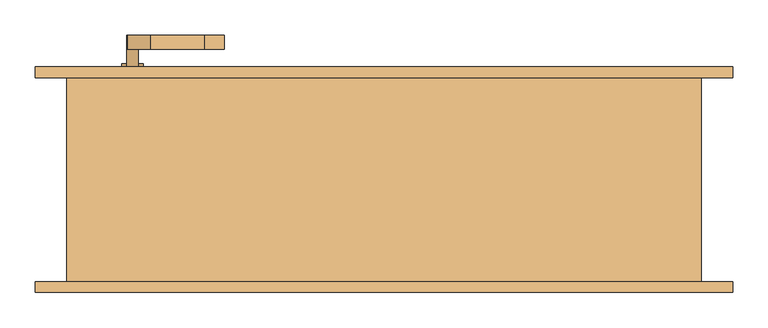
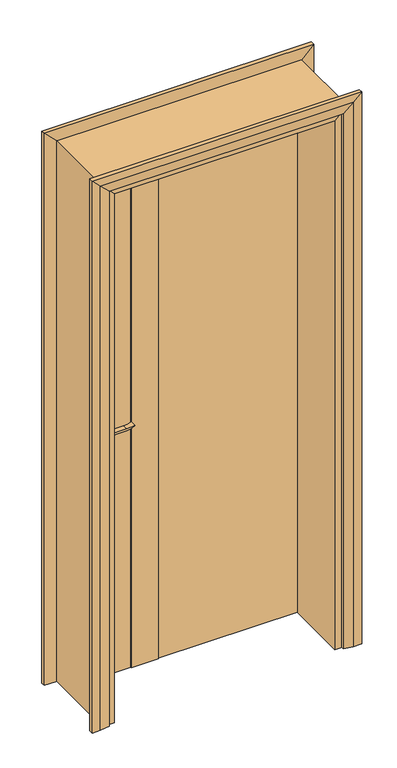
"""IFC4 building model written with IfcOpenShell, lengths in millimetres: door geometry."""

from ifc_helpers import new_model, si_unit, point, frame, frame_2d, origin, origin_with_axes, place, context, project, spatial, polyline, circle_curve, trimmed, segment, composite_curve, outline, extrude, faceted_brep, source, transform, mapped, element, save


def door_bdf464da(model_context):
    return source(origin(), model_context, "Body", "SolidModel", [
        extrude(outline(composite_curve([segment(trimmed(circle_curve(frame_2d((900.0, -357.0)), 15.0), [point((900.0, -342.0))], [point((900.0, -372.0))], False, "CARTESIAN"), True, "CONTINUOUS"), segment(trimmed(circle_curve(frame_2d((900.0, -357.0)), 15.0), [point((900.0, -372.0))], [point((900.0, -342.0))], False, "CARTESIAN"), True, "CONTINUOUS")], self_intersect=False)), frame((0.0, 155.0, 0.0), z_axis=(0.0, 1.0, 0.0), x_axis=(0.0, 0.0, 1.0)), (0.0, 0.0, 1.0), 10.0),
        extrude(outline(composite_curve([segment(trimmed(circle_curve(frame_2d((900.0, -357.0)), 15.0), [point((900.0, -342.0))], [point((900.0, -372.0))], False, "CARTESIAN"), True, "CONTINUOUS"), segment(trimmed(circle_curve(frame_2d((900.0, -357.0)), 15.0), [point((900.0, -372.0))], [point((900.0, -342.0))], False, "CARTESIAN"), True, "CONTINUOUS")], self_intersect=False)), frame((0.0, 75.0, 0.0), z_axis=(0.0, 1.0, 0.0), x_axis=(0.0, 0.0, 1.0)), (0.0, 0.0, 1.0), 10.0),
        extrude(outline(composite_curve([segment(trimmed(circle_curve(frame_2d((960.0, -357.0)), 8.0), [point((964.6523287, -363.5081363))], [point((960.0, -349.0))], False, "CARTESIAN"), True, "CONTINUOUS"), segment(trimmed(circle_curve(frame_2d((954.8738613, -331.6138099)), 18.1261387), [point((960.0, -349.0))], [point((973.0, -331.6138099))], True, "CARTESIAN"), True, "CONTINUOUS"), segment(polyline([(973.0, -331.6138099), (973.0, -255.3564091)]), True, "CONTINUOUS"), segment(trimmed(circle_curve(frame_2d((1032.2709207, -258.9396612)), 59.3791355), [point((973.0, -255.3564091))], [point((982.2135558, -227.0))], False, "CARTESIAN"), True, "CONTINUOUS"), segment(polyline([(982.2135558, -227.0), (985.0, -227.0)]), True, "CONTINUOUS"), segment(trimmed(circle_curve(frame_2d((1063.2850638, -255.4227909)), 83.2850902), [point((985.0, -227.0))], [point((980.0, -255.3564091))], True, "CARTESIAN"), True, "CONTINUOUS"), segment(polyline([(980.0, -255.3564091), (980.0, -331.6325667)]), True, "CONTINUOUS"), segment(trimmed(circle_curve(frame_2d((942.7555521, -333.3324871)), 37.2832219), [point((980.0, -331.6325667))], [point((964.6523287, -363.5081363))], False, "CARTESIAN"), True, "CONTINUOUS")], self_intersect=False)), frame((0.0, 185.0, 0.0), z_axis=(0.0, 1.0, 0.0), x_axis=(0.0, 0.0, 1.0)), (0.0, 0.0, 1.0), 20.0),
        extrude(outline(composite_curve([segment(trimmed(circle_curve(frame_2d((954.8738682, -331.6138122)), 18.1261318), [point((959.9999903, -349.0))], [point((973.0, -331.6138122))], True, "CARTESIAN"), True, "CONTINUOUS"), segment(polyline([(973.0, -331.6138122), (973.0, -255.3564091)]), True, "CONTINUOUS"), segment(trimmed(circle_curve(frame_2d((1032.2709207, -258.9396612)), 59.3791355), [point((973.0, -255.3564091))], [point((982.2135558, -227.0))], False, "CARTESIAN"), True, "CONTINUOUS"), segment(polyline([(982.2135558, -227.0), (985.0, -227.0)]), True, "CONTINUOUS"), segment(trimmed(circle_curve(frame_2d((1063.2850638, -255.4227909)), 83.2850902), [point((985.0, -227.0))], [point((980.0, -255.3564091))], True, "CARTESIAN"), True, "CONTINUOUS"), segment(polyline([(980.0, -255.3564091), (980.0, -331.6325667)]), True, "CONTINUOUS"), segment(trimmed(circle_curve(frame_2d((942.7555521, -333.3324871)), 37.2832219), [point((980.0, -331.6325667))], [point((964.6523287, -363.5081363))], False, "CARTESIAN"), True, "CONTINUOUS"), segment(trimmed(circle_curve(frame_2d((960.0, -357.0)), 8.0), [point((964.6523287, -363.5081363))], [point((959.9999903, -349.0))], False, "CARTESIAN"), True, "CONTINUOUS")], self_intersect=False)), frame((0.0, 35.0, 0.0), z_axis=(0.0, 1.0, 0.0), x_axis=(0.0, 0.0, 1.0)), (0.0, 0.0, 1.0), 20.0),
        extrude(outline(composite_curve([segment(trimmed(circle_curve(frame_2d((960.0, -357.0)), 8.0), [point((960.0, -349.0))], [point((960.0, -365.0))], False, "CARTESIAN"), True, "CONTINUOUS"), segment(trimmed(circle_curve(frame_2d((960.0, -357.0)), 8.0), [point((960.0, -365.0))], [point((960.0, -349.0))], False, "CARTESIAN"), True, "CONTINUOUS")], self_intersect=False)), frame((0.0, 155.0, 0.0), z_axis=(0.0, 1.0, 0.0), x_axis=(0.0, 0.0, 1.0)), (0.0, 0.0, 1.0), 30.0),
        extrude(outline(composite_curve([segment(trimmed(circle_curve(frame_2d((960.0, -357.0)), 8.0), [point((960.0, -349.0))], [point((960.0, -365.0))], False, "CARTESIAN"), True, "CONTINUOUS"), segment(trimmed(circle_curve(frame_2d((960.0, -357.0)), 8.0), [point((960.0, -365.0))], [point((960.0, -349.0))], False, "CARTESIAN"), True, "CONTINUOUS")], self_intersect=False)), frame((0.0, 55.0, 0.0), z_axis=(0.0, 1.0, 0.0), x_axis=(0.0, 0.0, 1.0)), (0.0, 0.0, 1.0), 30.0),
        extrude(outline(composite_curve([segment(trimmed(circle_curve(frame_2d((890.0, -357.0)), 25.0), [point((890.0, -382.0))], [point((890.0, -332.0))], False, "CARTESIAN"), True, "CONTINUOUS"), segment(polyline([(890.0, -332.0), (960.0, -332.0)]), True, "CONTINUOUS"), segment(trimmed(circle_curve(frame_2d((960.0, -357.0)), 25.0), [point((960.0, -332.0))], [point((960.0, -382.0))], False, "CARTESIAN"), True, "CONTINUOUS"), segment(polyline([(960.0, -382.0), (890.0, -382.0)]), True, "CONTINUOUS")], self_intersect=False)), frame((0.0, 145.0, 0.0), z_axis=(0.0, 1.0, 0.0), x_axis=(0.0, 0.0, 1.0)), (0.0, 0.0, 1.0), 10.0),
        extrude(outline(composite_curve([segment(trimmed(circle_curve(frame_2d((890.0, -357.0)), 25.0), [point((890.0, -382.0))], [point((890.0, -332.0))], False, "CARTESIAN"), True, "CONTINUOUS"), segment(polyline([(890.0, -332.0), (960.0, -332.0)]), True, "CONTINUOUS"), segment(trimmed(circle_curve(frame_2d((960.0, -357.0)), 25.0), [point((960.0, -332.0))], [point((960.0, -382.0))], False, "CARTESIAN"), True, "CONTINUOUS"), segment(polyline([(960.0, -382.0), (890.0, -382.0)]), True, "CONTINUOUS")], self_intersect=False)), frame((0.0, 85.0, 0.0), z_axis=(0.0, 1.0, 0.0), x_axis=(0.0, 0.0, 1.0)), (0.0, 0.0, 1.0), 10.0),
        extrude(outline(polyline([(-207.0, 148.0), (-107.0, 148.0), (-107.0, 92.0), (-207.0, 92.0), (-207.0, 148.0)])), origin_with_axes(), (0.0, 0.0, 1.0), 2067.0),
        faceted_brep([(-420.0, 145.0, 0.0), (-420.0, 92.0, 0.0), (-405.0, 92.0, 0.0), (-405.0, -145.0, 0.0), (-450.0, -145.0, 0.0), (-450.0, 145.0, 0.0), (-420.0, 145.0, 2070.0), (-420.0, 92.0, 2070.0), (-405.0, 92.0, 2055.0), (-405.0, -145.0, 2055.0), (-450.0, -145.0, 2100.0), (-450.0, 145.0, 2100.0), (420.0, 145.0, 2070.0), (420.0, 92.0, 2070.0), (405.0, 92.0, 2055.0), (405.0, -145.0, 2055.0), (450.0, -145.0, 2100.0), (450.0, 145.0, 2100.0), (420.0, 145.0, 0.0), (450.0, 145.0, 0.0), (450.0, -145.0, 0.0), (405.0, -145.0, 0.0), (405.0, 92.0, 0.0), (420.0, 92.0, 0.0)], [[[0, 1, 2, 3, 4, 5]], [[1, 0, 6, 7]], [[2, 1, 7, 8]], [[3, 2, 8, 9]], [[4, 3, 9, 10]], [[5, 4, 10, 11]], [[0, 5, 11, 6]], [[7, 6, 12, 13]], [[8, 7, 13, 14]], [[9, 8, 14, 15]], [[10, 9, 15, 16]], [[11, 10, 16, 17]], [[6, 11, 17, 12]], [[18, 19, 20, 21, 22, 23]], [[13, 12, 18, 23]], [[14, 13, 23, 22]], [[15, 14, 22, 21]], [[16, 15, 21, 20]], [[17, 16, 20, 19]], [[12, 17, 19, 18]]]),
        extrude(outline(polyline([(417.0, 95.0), (-107.0, 95.0), (-107.0, 145.0), (417.0, 145.0), (417.0, 95.0)])), origin_with_axes(), (0.0, 0.0, 1.0), 2067.0),
        extrude(outline(polyline([(-207.0, 95.0), (-417.0, 95.0), (-417.0, 145.0), (-207.0, 145.0), (-207.0, 95.0)])), origin_with_axes(), (0.0, 0.0, 1.0), 2067.0),
        faceted_brep([(-495.0, 145.0, 0.0), (-495.0, 160.0, 0.0), (-465.0, 160.0, 0.0), (-430.0, 155.0, 0.0), (-430.0, 145.0, 0.0), (-495.0, 145.0, 2145.0), (-495.0, 160.0, 2145.0), (-465.0, 160.0, 2115.0), (-430.0, 155.0, 2080.0), (-430.0, 145.0, 2080.0), (495.0, 145.0, 2145.0), (495.0, 160.0, 2145.0), (465.0, 160.0, 2115.0), (430.0, 155.0, 2080.0), (430.0, 145.0, 2080.0), (495.0, 145.0, 0.0), (430.0, 145.0, 0.0), (430.0, 155.0, 0.0), (465.0, 160.0, 0.0), (495.0, 160.0, 0.0)], [[[0, 1, 2, 3, 4]], [[1, 0, 5, 6]], [[2, 1, 6, 7]], [[3, 2, 7, 8]], [[4, 3, 8, 9]], [[0, 4, 9, 5]], [[6, 5, 10, 11]], [[7, 6, 11, 12]], [[8, 7, 12, 13]], [[9, 8, 13, 14]], [[5, 9, 14, 10]], [[15, 16, 17, 18, 19]], [[11, 10, 15, 19]], [[12, 11, 19, 18]], [[13, 12, 18, 17]], [[14, 13, 17, 16]], [[10, 14, 16, 15]]]),
        faceted_brep([(-430.0, -155.0, 0.0), (-465.0, -160.0, 0.0), (-495.0, -160.0, 0.0), (-495.0, -145.0, 0.0), (-430.0, -145.0, 0.0), (-430.0, -155.0, 2080.0), (-465.0, -160.0, 2115.0), (-495.0, -160.0, 2145.0), (-495.0, -145.0, 2145.0), (-430.0, -145.0, 2080.0), (430.0, -155.0, 2080.0), (465.0, -160.0, 2115.0), (495.0, -160.0, 2145.0), (495.0, -145.0, 2145.0), (430.0, -145.0, 2080.0), (430.0, -155.0, 0.0), (430.0, -145.0, 0.0), (495.0, -145.0, 0.0), (495.0, -160.0, 0.0), (465.0, -160.0, 0.0)], [[[0, 1, 2, 3, 4]], [[1, 0, 5, 6]], [[2, 1, 6, 7]], [[3, 2, 7, 8]], [[4, 3, 8, 9]], [[0, 4, 9, 5]], [[6, 5, 10, 11]], [[7, 6, 11, 12]], [[8, 7, 12, 13]], [[9, 8, 13, 14]], [[5, 9, 14, 10]], [[15, 16, 17, 18, 19]], [[11, 10, 15, 19]], [[12, 11, 19, 18]], [[13, 12, 18, 17]], [[14, 13, 17, 16]], [[10, 14, 16, 15]]]),
    ])


if __name__ == "__main__":
    model = new_model("IFC4")
    model_context = context("Model", 3, world=origin())
    ifc_project = project(units=[si_unit("LENGTHUNIT", "METRE", prefix="MILLI")], contexts=[model_context])
    site = spatial("IfcSite", under=ifc_project)
    building = spatial("IfcBuilding", under=site)
    placement = place(None, origin())
    door_shape = door_bdf464da(model_context)
    element("IfcDoor", 1, at=placement, inside=building, context=model_context, shape_type="MappedRepresentation", body=[
        mapped(door_shape, transform((0.0, 0.0, 0.0), x_axis=(1.0, 0.0, 0.0), y_axis=(0.0, 1.0, 0.0), z_axis=(0.0, 0.0, 1.0))),
    ])
    save(model, "model.ifc")
